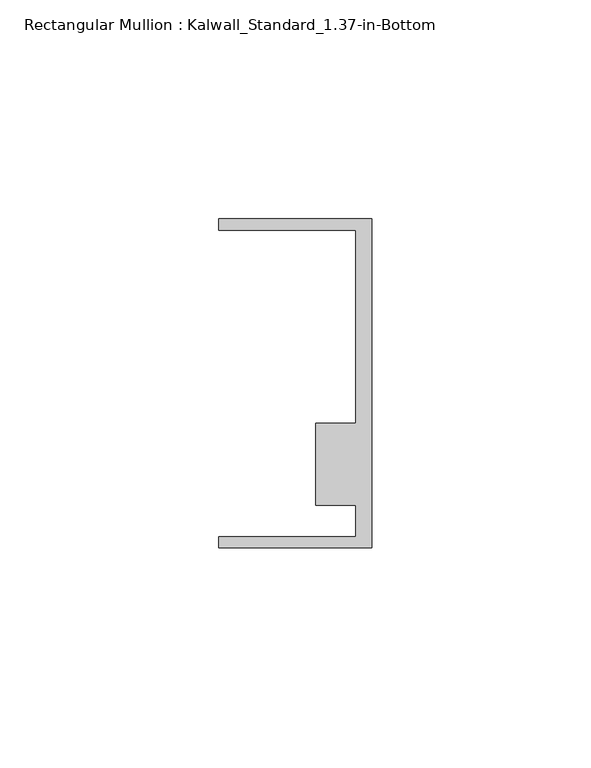
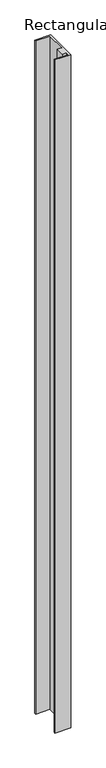
"""IFC4 building model written with IfcOpenShell, lengths in millimetres: member geometry, Rectangular Mullion : Kalwall_Standard_1.37-in-Bottom."""

from ifc_helpers import new_model, si_unit, frame, origin, place, context, project, spatial, polyline, outline, extrude, source, transform, mapped, element, save


def rectangular_mullion_kalwall_standard_1_37_in_bottom_abd0af38(model_context):
    return source(origin(), model_context, "Body", "SweptSolid", [
        extrude(outline(polyline([(0.0, -37.5776386), (-34.925, -37.5776386), (-34.925, -35.0376386), (-3.7084, -35.0376386), (-3.7084, -27.8888568), (-12.8272539, -27.8888568), (-12.8272539, -9.1879886), (-3.7084, -9.1879886), (-3.7084, 34.9623614), (-34.925, 34.9623614), (-34.925, 37.5023614), (0.0, 37.5023614), (0.0, -37.5776386)])), frame((0.0, 0.0, -1554.2270003), z_axis=(0.0, 0.0, 1.0), x_axis=(1.0, 0.0, 0.0)), (0.0, 0.0, 1.0), 1554.2270003),
    ])


if __name__ == "__main__":
    model = new_model("IFC4")
    model_context = context("Model", 3, world=origin())
    ifc_project = project(units=[si_unit("LENGTHUNIT", "METRE", prefix="MILLI")], contexts=[model_context])
    site = spatial("IfcSite", under=ifc_project)
    building = spatial("IfcBuilding", under=site)
    placement = place(None, origin())
    rectangular_mullion_kalwall_standard_1_37_in_bottom_shape = rectangular_mullion_kalwall_standard_1_37_in_bottom_abd0af38(model_context)
    element("IfcMember", 1, ObjectType="Rectangular Mullion : Kalwall_Standard_1.37-in-Bottom", at=placement, inside=building, context=model_context, shape_type="MappedRepresentation", body=[
        mapped(rectangular_mullion_kalwall_standard_1_37_in_bottom_shape, transform((0.0, 0.0, 0.0), x_axis=(1.0, 0.0, 0.0), y_axis=(0.0, 1.0, 0.0), z_axis=(0.0, 0.0, 1.0))),
    ])
    save(model, "model.ifc")
